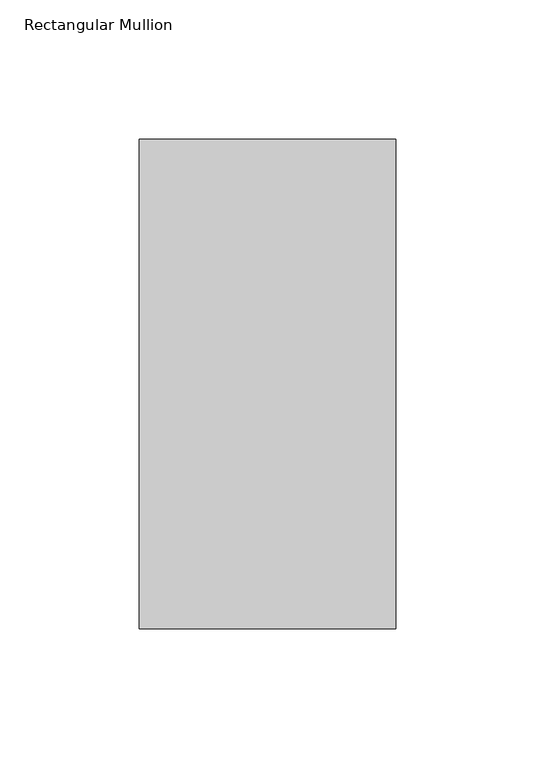
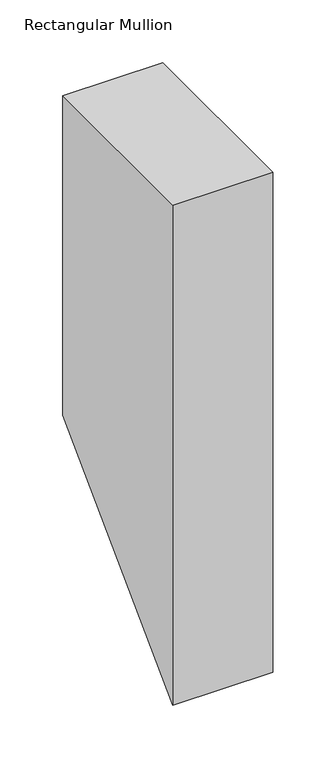
"""IFC4 building model written with IfcOpenShell, lengths in millimetres: member geometry, Rectangular Mullion."""

from ifc_helpers import new_model, si_unit, origin, place, context, project, spatial, faceted_brep, source, transform, mapped, element, save


def rectangular_mullion_1e3ee004(model_context):
    return source(origin(), model_context, "Body", "Brep", [
        faceted_brep([(-0.0038138, 222.5508319, 0.0), (-92.0788136, 222.5569864, 0.0), (-92.090564, 46.7635857, 0.0), (-0.0155642, 46.7574312, 0.0), (-0.0038138, 222.5508319, -310.8491681), (-92.0788136, 222.5569864, -310.8430136), (-92.090564, 46.7635857, -486.6364143), (-0.0155642, 46.7574312, -486.6425688)], [[[0, 1, 2, 3]], [[1, 0, 4, 5]], [[2, 1, 5, 6]], [[3, 2, 6, 7]], [[0, 3, 7, 4]], [[4, 7, 6, 5]]]),
    ])


if __name__ == "__main__":
    model = new_model("IFC4")
    model_context = context("Model", 3, world=origin())
    ifc_project = project(units=[si_unit("LENGTHUNIT", "METRE", prefix="MILLI")], contexts=[model_context])
    site = spatial("IfcSite", under=ifc_project)
    building = spatial("IfcBuilding", under=site)
    placement = place(None, origin())
    rectangular_mullion_shape = rectangular_mullion_1e3ee004(model_context)
    element("IfcMember", 1, ObjectType="Rectangular Mullion", at=placement, inside=building, context=model_context, shape_type="MappedRepresentation", body=[
        mapped(rectangular_mullion_shape, transform((0.0, 0.0, 0.0), x_axis=(1.0, 0.0, 0.0), y_axis=(0.0, 1.0, 0.0), z_axis=(0.0, 0.0, 1.0))),
    ])
    save(model, "model.ifc")
